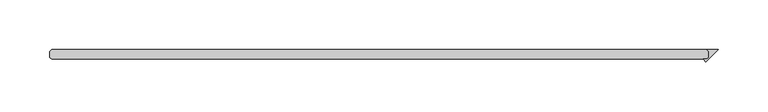
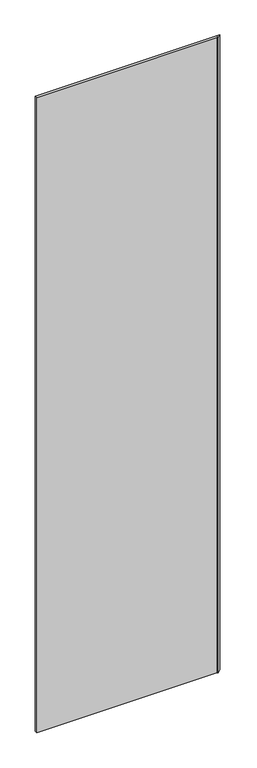
"""IFC4 building model written with IfcOpenShell, lengths in millimetres: plate geometry."""

from ifc_helpers import new_model, si_unit, origin, origin_with_axes, place, context, project, spatial, polyline, outline, extrude, source, transform, mapped, element, save


def plate_858c1e49(model_context):
    return source(origin(), model_context, "Body", "SweptSolid", [
        extrude(outline(polyline([(342.503125, 33.3375), (340.915625, 34.925), (352.028125, 34.925), (339.793093, 22.689968), (337.083061, 25.4), (340.915625, 25.4), (342.503125, 26.9875), (342.503125, 33.3375)])), origin_with_axes(), (0.0, 0.0, 1.0), 2428.7789267),
        extrude(outline(polyline([(340.915625, 34.925), (342.503125, 33.3375), (342.503125, 26.9875), (340.915625, 25.4), (-315.515625, 25.4), (-317.103125, 26.9875), (-317.103125, 33.3375), (-315.515625, 34.925), (340.915625, 34.925)])), origin_with_axes(), (0.0, 0.0, 1.0), 2428.7789267),
    ])


if __name__ == "__main__":
    model = new_model("IFC4")
    model_context = context("Model", 3, world=origin())
    ifc_project = project(units=[si_unit("LENGTHUNIT", "METRE", prefix="MILLI")], contexts=[model_context])
    site = spatial("IfcSite", under=ifc_project)
    building = spatial("IfcBuilding", under=site)
    placement = place(None, origin())
    plate_shape = plate_858c1e49(model_context)
    element("IfcPlate", 1, at=placement, inside=building, context=model_context, shape_type="MappedRepresentation", body=[
        mapped(plate_shape, transform((0.0, 0.0, 0.0), x_axis=(1.0, 0.0, 0.0), y_axis=(0.0, 1.0, 0.0), z_axis=(0.0, 0.0, 1.0))),
    ])
    save(model, "model.ifc")
